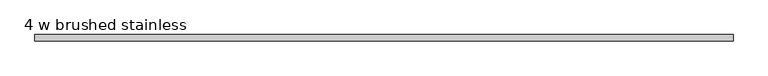
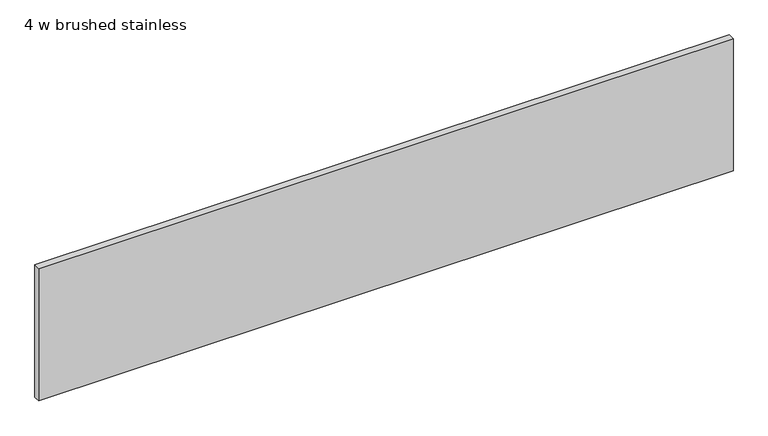
"""IFC4 building model written with IfcOpenShell, lengths in millimetres: furniture geometry, 4 w brushed stainless."""

from ifc_helpers import new_model, si_unit, origin, origin_with_axes, place, context, project, spatial, polyline, outline, extrude, source, transform, mapped, element, save


def furniture_4_w_brushed_stainless_25c8340a(model_context):
    return source(origin(), model_context, "Body", "SweptSolid", [
        extrude(outline(polyline([(0.5999988, 0.0), (0.5999988, 10.9999997), (1218.6000366, 10.9999997), (1218.6000366, 0.0), (0.5999988, 0.0)])), origin_with_axes(), (0.0, 0.0, 1.0), 245.349995),
    ])


if __name__ == "__main__":
    model = new_model("IFC4")
    model_context = context("Model", 3, world=origin())
    ifc_project = project(units=[si_unit("LENGTHUNIT", "METRE", prefix="MILLI")], contexts=[model_context])
    site = spatial("IfcSite", under=ifc_project)
    building = spatial("IfcBuilding", under=site)
    placement = place(None, origin())
    furniture_4_w_brushed_stainless_shape = furniture_4_w_brushed_stainless_25c8340a(model_context)
    element("IfcFurniture", 1, ObjectType="4 w brushed stainless", at=placement, inside=building, context=model_context, shape_type="MappedRepresentation", body=[
        mapped(furniture_4_w_brushed_stainless_shape, transform((0.0, 0.0, 0.0), x_axis=(1.0, 0.0, 0.0), y_axis=(0.0, 1.0, 0.0), z_axis=(0.0, 0.0, 1.0))),
    ])
    save(model, "model.ifc")
